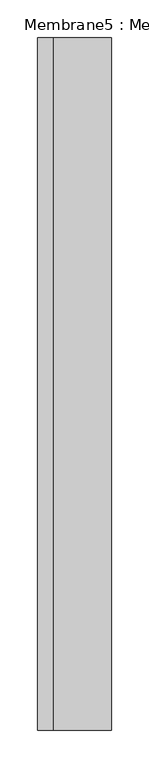
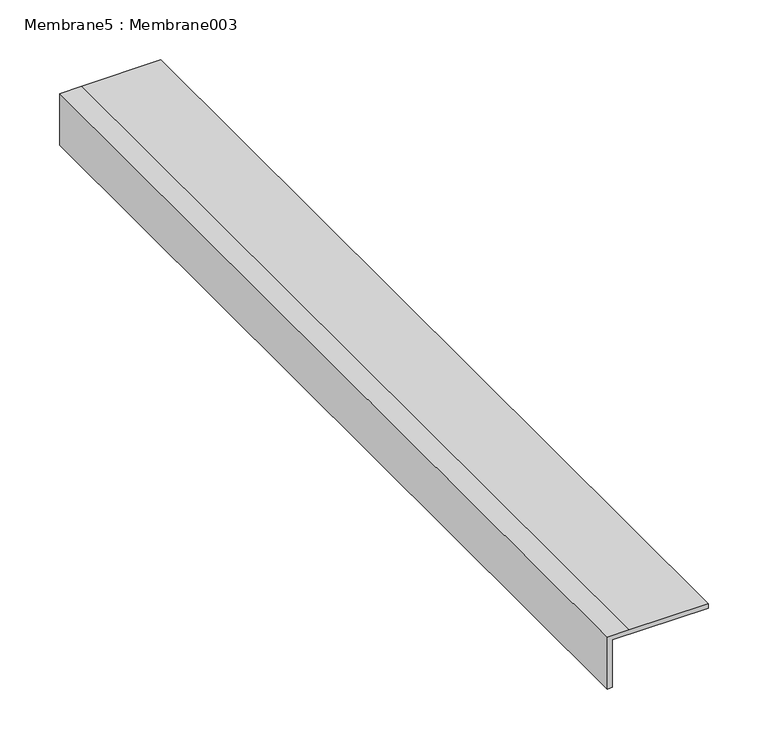
"""IFC4 building model written with IfcOpenShell, lengths in millimetres: proxy geometry, Membrane5 : Membrane003."""

import ifcopenshell
import ifcopenshell.guid

model = None  # the IFC model being written
_history = None  # IfcOwnerHistory: only IFC2X3 demands one
_inside = {}  # id of a spatial element -> (the spatial element, [elements in it])
_under = {}  # id of a project, library or spatial element -> (it, [spatial elements below it])
_declared = {}  # id of a project -> (the project, [libraries it declares])
_typed = {}  # id of a type object -> (the type object, [elements of that type])
_made_of = {}  # id of a material, layer set ... -> (it, [elements and type objects made of it])


def new_model(schema):
    """Start an empty IFC model of exactly this schema.

    Asked for "IFC4X3", IfcOpenShell would pick the latest addendum, in which some entities
    have other attributes; the version numbers below select the first issue.
    IFC2X3 requires an IfcOwnerHistory on every rooted entity: one is made here for all.
    """
    global model, _history
    if schema == "IFC4X3":
        model = ifcopenshell.file(schema_version=(4, 3, 0, 0))
    else:
        model = ifcopenshell.file(schema=schema)
    _inside.clear()
    _under.clear()
    _declared.clear()
    _typed.clear()
    _made_of.clear()
    _history = None
    if model.schema == "IFC2X3":
        org = make("IfcOrganization", Name="unknown")
        user = make(
            "IfcPersonAndOrganization",
            ThePerson=make("IfcPerson", FamilyName="unknown"),
            TheOrganization=org,
        )
        app = make(
            "IfcApplication",
            ApplicationDeveloper=org,
            Version="unknown",
            ApplicationFullName="unknown",
            ApplicationIdentifier="unknown",
        )
        _history = make(
            "IfcOwnerHistory",
            OwningUser=user,
            OwningApplication=app,
            ChangeAction="ADDED",
            CreationDate=0,
        )
    return model


def make(cls, **values):
    """One entity of the class cls with the attributes given. An attribute that is None is left unset."""
    return model.create_entity(
        cls, **{name: value for name, value in values.items() if value is not None}
    )


def rooted(cls, **values):
    """An entity with a GlobalId (a new one), such as an element, a storey or a relation."""
    return make(cls, GlobalId=ifcopenshell.guid.new(), OwnerHistory=_history, **values)


def si_unit(unit_type, name, prefix=None):
    """IfcSIUnit, for example si_unit("LENGTHUNIT", "METRE", prefix="MILLI")."""
    return make("IfcSIUnit", UnitType=unit_type, Prefix=prefix, Name=name)


def assignment(units):
    """IfcUnitAssignment: the units of a project."""
    return None if units is None else make("IfcUnitAssignment", Units=units)


def point(xyz):
    """IfcCartesianPoint."""
    return None if xyz is None else make("IfcCartesianPoint", Coordinates=xyz)


def direction(xyz):
    """IfcDirection."""
    return None if xyz is None else make("IfcDirection", DirectionRatios=xyz)


def frame(location, z_axis=None, x_axis=None):
    """IfcAxis2Placement3D, a coordinate frame: its origin and axes. An axis left out is left unset."""
    return make(
        "IfcAxis2Placement3D",
        Location=point(location),
        Axis=direction(z_axis),
        RefDirection=direction(x_axis),
    )


def origin():
    """The frame at (0, 0, 0) with its axes left unset."""
    return frame((0.0, 0.0, 0.0))


def place(relative_to, where):
    """IfcLocalPlacement: puts the frame where relative to a parent placement (None: the world)."""
    return make(
        "IfcLocalPlacement", PlacementRelTo=relative_to, RelativePlacement=where
    )


def context(
    kind, dimensions, precision=None, world=None, true_north=None, identifier=None
):
    """IfcGeometricRepresentationContext, for example the 3D "Model" context."""
    return make(
        "IfcGeometricRepresentationContext",
        ContextIdentifier=identifier,
        ContextType=kind,
        CoordinateSpaceDimension=dimensions,
        Precision=precision,
        WorldCoordinateSystem=world,
        TrueNorth=true_north,
    )


def project(units=None, contexts=None):
    """IfcProject with its units and contexts."""
    return rooted(
        "IfcProject",
        Name="project",
        RepresentationContexts=contexts,
        UnitsInContext=assignment(units),
    )


def spatial(cls, under=None, at=None, **own):
    """A site, building, storey or space (cls), placed at a placement, below another one or the project."""
    s = rooted(cls, ObjectPlacement=at, **own)
    if under is not None:
        _under.setdefault(under.id(), (under, []))[1].append(s)
    return s


def polyline(points):
    """IfcPolyline through the points."""
    return make("IfcPolyline", Points=[point(p) for p in points])


def outline(outer, holes=None, kind="AREA"):
    """IfcArbitraryClosedProfileDef: a profile drawn as a closed curve; with holes, ...WithVoids."""
    if holes is None:
        return make("IfcArbitraryClosedProfileDef", ProfileType=kind, OuterCurve=outer)
    return make(
        "IfcArbitraryProfileDefWithVoids",
        ProfileType=kind,
        OuterCurve=outer,
        InnerCurves=holes,
    )


def extrude(swept, where, along, depth):
    """IfcExtrudedAreaSolid: the profile swept, set in the frame where, extruded along a direction by depth."""
    return make(
        "IfcExtrudedAreaSolid",
        SweptArea=swept,
        Position=where,
        ExtrudedDirection=direction(along),
        Depth=depth,
    )


def shape(context_of_items, identifier, shape_type, items):
    """IfcShapeRepresentation: the items that make up one representation, for example the "Body"."""
    return make(
        "IfcShapeRepresentation",
        ContextOfItems=context_of_items,
        RepresentationIdentifier=identifier,
        RepresentationType=shape_type,
        Items=items,
    )


def source(mapping_origin, context_of_items, identifier, shape_type, items):
    """IfcRepresentationMap: a shape defined once, which mapped items show again and again."""
    return make(
        "IfcRepresentationMap",
        MappingOrigin=mapping_origin,
        MappedRepresentation=shape(context_of_items, identifier, shape_type, items),
    )


def transform(
    local_origin,
    x_axis=None,
    y_axis=None,
    z_axis=None,
    scale=None,
    scale2=None,
    scale3=None,
    uniform=True,
):
    """IfcCartesianTransformationOperator3D, or its non-uniform kind. x_axis, y_axis, z_axis: its Axis1, 2, 3."""
    if uniform:
        return make(
            "IfcCartesianTransformationOperator3D",
            Axis1=direction(x_axis),
            Axis2=direction(y_axis),
            LocalOrigin=point(local_origin),
            Scale=scale,
            Axis3=direction(z_axis),
        )
    return make(
        "IfcCartesianTransformationOperator3DnonUniform",
        Axis1=direction(x_axis),
        Axis2=direction(y_axis),
        LocalOrigin=point(local_origin),
        Scale=scale,
        Axis3=direction(z_axis),
        Scale2=scale2,
        Scale3=scale3,
    )


def mapped(mapping_source, mapping_target):
    """IfcMappedItem: shows the shape of a source again, moved by a transform."""
    return make(
        "IfcMappedItem", MappingSource=mapping_source, MappingTarget=mapping_target
    )


def made_of(thing, what):
    """Note that an element or type object is made of a material, layer set ...; save() writes the relation."""
    if what is not None:
        _made_of.setdefault(what.id(), (what, []))[1].append(thing)
    return thing


def element(
    cls,
    number,
    at=None,
    inside=None,
    cuts=None,
    type_object=None,
    material=None,
    context=None,
    identifier="Body",
    shape_type=None,
    held_by="IfcProductDefinitionShape",
    body=None,
    shapes=None,
    **own,
):
    """One element of the class cls, such as IfcWall. Its Tag is "e" and its number.

    at: its placement. inside: the storey or other place that contains it. cuts: it is an
    opening in that element (IfcRelVoidsElement). A single representation is given by context,
    identifier, shape_type and body (its items); several are given by shapes. held_by: the class
    of the entity that holds the representations. save() writes the other relations.
    """
    e = rooted(cls, Tag="e%d" % number, ObjectPlacement=at, **own)
    if body is not None:
        shapes = [shape(context, identifier, shape_type, body)]
    if shapes is not None:
        e.Representation = make(held_by, Representations=shapes)
    if inside is not None:
        _inside.setdefault(inside.id(), (inside, []))[1].append(e)
    if cuts is not None:
        rooted(
            "IfcRelVoidsElement", RelatingBuildingElement=cuts, RelatedOpeningElement=e
        )
    if type_object is not None:
        _typed.setdefault(type_object.id(), (type_object, []))[1].append(e)
    return made_of(e, material)


def aggregate(whole, parts):
    """IfcRelAggregates: a whole, such as a stair, and the parts it consists of."""
    return rooted("IfcRelAggregates", RelatingObject=whole, RelatedObjects=parts)


def save(model, path):
    """Write the relations noted so far, then the file.

    IfcRelAggregates (storeys below a building ...), IfcRelContainedInSpatialStructure (elements
    in a storey), IfcRelDefinesByType, IfcRelAssociatesMaterial and IfcRelDeclares: one each for
    every whole, place, type object, material and project.
    """
    for whole, parts in _under.values():
        aggregate(whole, parts)
    for where, things in _inside.values():
        rooted(
            "IfcRelContainedInSpatialStructure",
            RelatedElements=things,
            RelatingStructure=where,
        )
    for kind, things in _typed.values():
        rooted("IfcRelDefinesByType", RelatedObjects=things, RelatingType=kind)
    for what, things in _made_of.values():
        rooted("IfcRelAssociatesMaterial", RelatedObjects=things, RelatingMaterial=what)
    for by, libraries in _declared.values():
        rooted("IfcRelDeclares", RelatingContext=by, RelatedDefinitions=libraries)
    model.write(path)


def membrane5_membrane003_65c2bcf7(model_context):
    return source(origin(), model_context, "Body", "SweptSolid", [
        extrude(outline(polyline([(2924.5550397, 39227.4720756), (2924.1490734, 39206.3187061), (2871.4422625, 39206.3187061), (2871.4422625, 39211.3976124), (2919.8605668, 39211.3976124), (2919.8605668, 39303.6720756), (2924.5550397, 39303.6720756), (2924.5550397, 39227.4720756)])), frame((0.0, -25196.3529946, 0.0), z_axis=(0.0, 1.0, 0.0), x_axis=(0.0, 0.0, 1.0)), (0.0, 0.0, 1.0), 914.4),
    ])


if __name__ == "__main__":
    model = new_model("IFC4")
    model_context = context("Model", 3, world=origin())
    ifc_project = project(units=[si_unit("LENGTHUNIT", "METRE", prefix="MILLI")], contexts=[model_context])
    site = spatial("IfcSite", under=ifc_project)
    building = spatial("IfcBuilding", under=site)
    placement = place(None, origin())
    membrane5_membrane003_shape = membrane5_membrane003_65c2bcf7(model_context)
    element("IfcBuildingElementProxy", 1, Name="Membrane5 : Membrane003", ObjectType="Membrane5 : Membrane003", at=placement, inside=building, context=model_context, shape_type="MappedRepresentation", body=[
        mapped(membrane5_membrane003_shape, transform((0.0, 0.0, 0.0), x_axis=(1.0, 0.0, 0.0), y_axis=(0.0, 1.0, 0.0), z_axis=(0.0, 0.0, 1.0))),
    ])
    save(model, "model.ifc")
